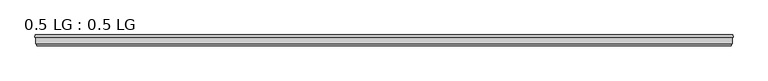
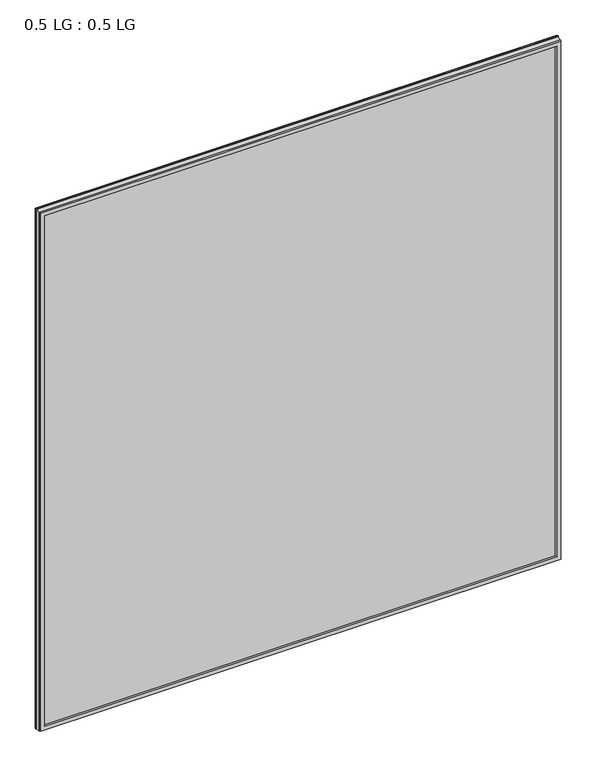
"""IFC4 building model written with IfcOpenShell, lengths in millimetres: plate geometry, 0.5 LG : 0.5 LG."""

from ifc_helpers import new_model, si_unit, origin, origin_with_axes, place, context, project, spatial, polyline, outline, extrude, faceted_brep, source, transform, mapped, element, save


def plate_0_5_lg_0_5_lg_4fdc712a(model_context):
    return source(origin(), model_context, "Body", "SolidModel", [
        faceted_brep([(-725.8754633, 33.6565875, 1527.5756633), (-724.6871801, 38.3301948, 1526.3873801), (-724.6871801, 38.3301948, -0.7871801), (-725.8754633, 33.6565875, -1.9754633), (-713.5623956, 38.3301948, 1515.2625956), (-712.3742356, 33.6565875, 1514.0744356), (-712.3742356, 33.6565875, 11.5257644), (-713.5623956, 38.3301948, 10.3376044), (724.6871801, 38.3301948, -0.7871801), (725.8754633, 33.6565875, -1.9754633), (712.3742356, 33.6565875, 11.5257644), (713.5623956, 38.3301948, 10.3376044), (724.6871801, 38.3301948, 1526.3873801), (725.8754633, 33.6565875, 1527.5756633), (712.3742356, 33.6565875, 1514.0744356), (713.5623956, 38.3301948, 1515.2625956)], [[[0, 1, 2, 3]], [[4, 5, 6, 7]], [[3, 2, 8, 9]], [[7, 6, 10, 11]], [[9, 8, 12, 13]], [[11, 10, 14, 15]], [[1, 12, 8, 2], [7, 11, 15, 4]], [[13, 12, 1, 0]], [[3, 9, 13, 0], [5, 14, 10, 6]], [[15, 14, 5, 4]]]),
        faceted_brep([(-709.7786419, 20.0421875, 1511.4788419), (-710.8441159, 15.8512075, 1512.5443159), (-710.8441159, 15.8512075, 13.0558841), (-709.7786419, 20.0421875, 14.1213581), (-721.9695018, 15.8512075, 1523.6697018), (-723.0347832, 20.0421875, 1524.7349832), (-723.0347832, 20.0421875, 0.8652168), (-721.9695018, 15.8512075, 1.9304982), (710.8441159, 15.8512075, 13.0558841), (709.7786419, 20.0421875, 14.1213581), (723.0347832, 20.0421875, 0.8652168), (721.9695018, 15.8512075, 1.9304982), (710.8441159, 15.8512075, 1512.5443159), (709.7786419, 20.0421875, 1511.4788419), (723.0347832, 20.0421875, 1524.7349832), (721.9695018, 15.8512075, 1523.6697018)], [[[0, 1, 2, 3]], [[4, 5, 6, 7]], [[3, 2, 8, 9]], [[7, 6, 10, 11]], [[9, 8, 12, 13]], [[11, 10, 14, 15]], [[13, 12, 1, 0]], [[5, 14, 10, 6], [3, 9, 13, 0]], [[15, 14, 5, 4]], [[7, 11, 15, 4], [1, 12, 8, 2]]]),
        extrude(outline(polyline([(723.9, 33.6565875), (723.9, 20.0421875), (-723.9, 20.0421875), (-723.9, 33.6565875), (723.9, 33.6565875)])), origin_with_axes(), (0.0, 0.0, 1.0), 1525.6002),
    ])


if __name__ == "__main__":
    model = new_model("IFC4")
    model_context = context("Model", 3, world=origin())
    ifc_project = project(units=[si_unit("LENGTHUNIT", "METRE", prefix="MILLI")], contexts=[model_context])
    site = spatial("IfcSite", under=ifc_project)
    building = spatial("IfcBuilding", under=site)
    placement = place(None, origin())
    plate_0_5_lg_0_5_lg_shape = plate_0_5_lg_0_5_lg_4fdc712a(model_context)
    element("IfcPlate", 1, ObjectType="0.5 LG : 0.5 LG", at=placement, inside=building, context=model_context, shape_type="MappedRepresentation", body=[
        mapped(plate_0_5_lg_0_5_lg_shape, transform((0.0, 0.0, 0.0), x_axis=(1.0, 0.0, 0.0), y_axis=(0.0, 1.0, 0.0), z_axis=(0.0, 0.0, 1.0))),
    ])
    save(model, "model.ifc")
